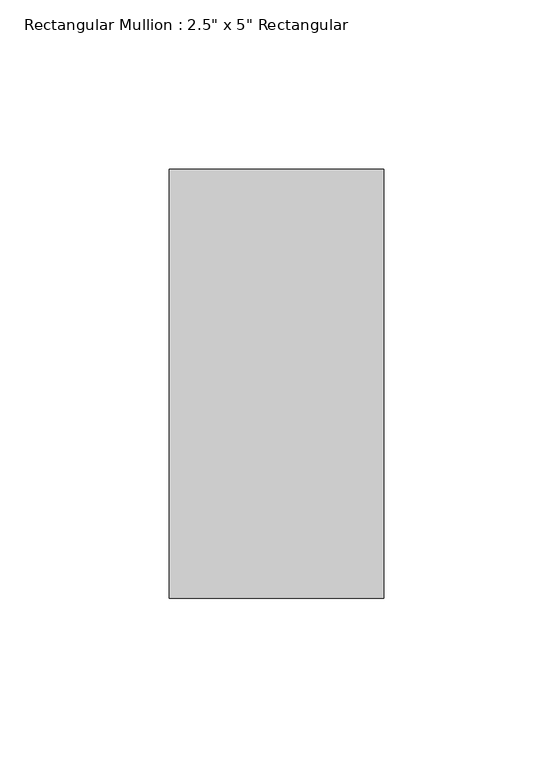
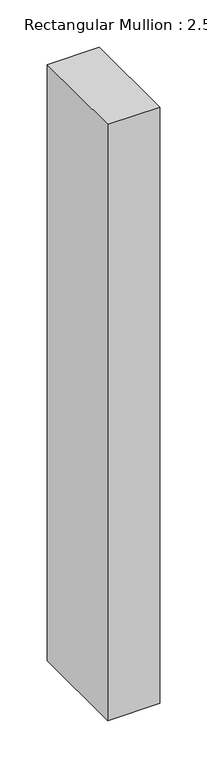
"""IFC4 building model written with IfcOpenShell, lengths in millimetres: member geometry."""

from ifc_helpers import new_model, si_unit, frame, origin, place, context, project, spatial, polyline, outline, extrude, source, transform, mapped, element, save


def member_46f5bc36(model_context):
    return source(origin(), model_context, "Body", "SweptSolid", [
        extrude(outline(polyline([(0.0, 63.5), (0.0, -63.5), (-63.5, -63.5), (-63.5, 63.5), (0.0, 63.5)])), frame((0.0, 0.0, -768.35), z_axis=(0.0, 0.0, 1.0), x_axis=(1.0, 0.0, 0.0)), (0.0, 0.0, 1.0), 768.35),
    ])


if __name__ == "__main__":
    model = new_model("IFC4")
    model_context = context("Model", 3, world=origin())
    ifc_project = project(units=[si_unit("LENGTHUNIT", "METRE", prefix="MILLI")], contexts=[model_context])
    site = spatial("IfcSite", under=ifc_project)
    building = spatial("IfcBuilding", under=site)
    placement = place(None, origin())
    member_shape = member_46f5bc36(model_context)
    element("IfcMember", 1, ObjectType="Rectangular Mullion : 2.5\" x 5\" Rectangular", at=placement, inside=building, context=model_context, shape_type="MappedRepresentation", body=[
        mapped(member_shape, transform((0.0, 0.0, 0.0), x_axis=(1.0, 0.0, 0.0), y_axis=(0.0, 1.0, 0.0), z_axis=(0.0, 0.0, 1.0))),
    ])
    save(model, "model.ifc")
